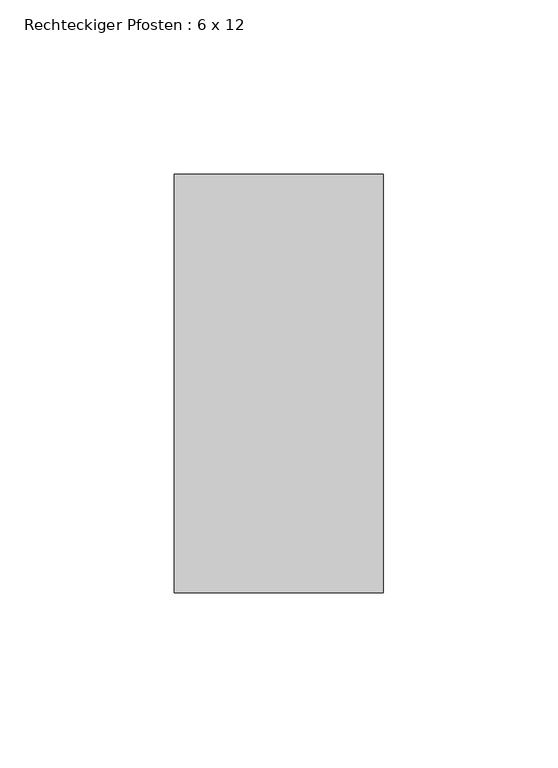
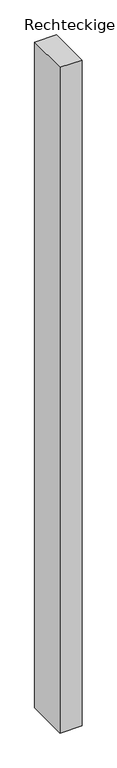
"""IFC4 building model written with IfcOpenShell, lengths in millimetres: member geometry, Rechteckiger Pfosten : 6 x 12."""

from ifc_helpers import new_model, si_unit, frame, origin, place, context, project, spatial, polyline, outline, extrude, source, transform, mapped, element, save


def rechteckiger_pfosten_6_x_12_4b401eaf(model_context):
    return source(origin(), model_context, "Body", "SweptSolid", [
        extrude(outline(polyline([(0.0, 60.0), (0.0, -60.0), (-60.0, -60.0), (-60.0, 60.0), (0.0, 60.0)])), frame((0.0, 0.0, -1920.8333333), z_axis=(0.0, 0.0, 1.0), x_axis=(1.0, 0.0, 0.0)), (0.0, 0.0, 1.0), 1920.8333333),
    ])


if __name__ == "__main__":
    model = new_model("IFC4")
    model_context = context("Model", 3, world=origin())
    ifc_project = project(units=[si_unit("LENGTHUNIT", "METRE", prefix="MILLI")], contexts=[model_context])
    site = spatial("IfcSite", under=ifc_project)
    building = spatial("IfcBuilding", under=site)
    placement = place(None, origin())
    rechteckiger_pfosten_6_x_12_shape = rechteckiger_pfosten_6_x_12_4b401eaf(model_context)
    element("IfcMember", 1, ObjectType="Rechteckiger Pfosten : 6 x 12", at=placement, inside=building, context=model_context, shape_type="MappedRepresentation", body=[
        mapped(rechteckiger_pfosten_6_x_12_shape, transform((0.0, 0.0, 0.0), x_axis=(1.0, 0.0, 0.0), y_axis=(0.0, 1.0, 0.0), z_axis=(0.0, 0.0, 1.0))),
    ])
    save(model, "model.ifc")
